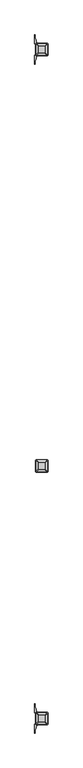
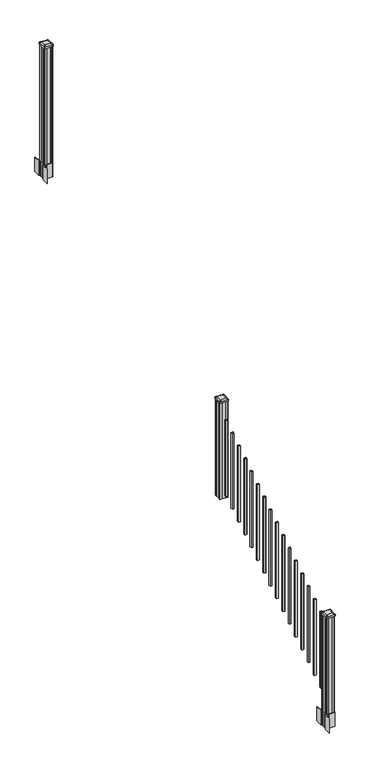
"""IFC4 building model written with IfcOpenShell, lengths in millimetres: railing geometry."""

from ifc_helpers import new_model, si_unit, point, frame, frame_2d, origin, place, context, project, spatial, polyline, circle_curve, trimmed, segment, composite_curve, outline, extrude, source, transform, mapped, element, save
from ifc_brep_helpers import plane_surface, extruded_surface, advanced_brep


def railing_c608df26(model_context):
    return source(origin(), model_context, "Body", "SolidModel", [
        advanced_brep(
        [(6934.2407728, -127566.6027203, 2394.709263), (6985.8345228, -127566.6027203, 2394.709263), (6989.0095228, -127563.4277203, 2394.709263), (6989.0095228, -127511.8339703, 2394.709263), (6985.8345228, -127508.6589703, 2394.709263), (6934.2407728, -127508.6589703, 2394.709263), (6931.0657728, -127511.8339703, 2394.709263), (6931.0657728, -127563.4277203, 2394.709263), (6917.9688978, -127582.8745953, 2383.406263), (6914.7938978, -127579.6995953, 2383.406263), (6914.7938978, -127495.5620953, 2383.406263), (6917.9688978, -127492.3870953, 2383.406263), (7002.1063978, -127492.3870953, 2383.406263), (7005.2813978, -127495.5620953, 2383.406263), (7005.2813978, -127579.6995953, 2383.406263), (7002.1063978, -127582.8745953, 2383.406263)],
        [
            (0, 1),
            (1, 2, circle_curve(frame((6985.8345228, -127563.4277203, 2394.709263), z_axis=(0.0, 0.0, 1.0), x_axis=(0.0, 1.0, 0.0)), 3.175)),
            (2, 3),
            (3, 4, circle_curve(frame((6985.8345228, -127511.8339703, 2394.709263), z_axis=(0.0, 0.0, 1.0), x_axis=(0.0, 1.0, 0.0)), 3.175)),
            (4, 5),
            (5, 6, circle_curve(frame((6934.2407728, -127511.8339703, 2394.709263), z_axis=(0.0, 0.0, 1.0), x_axis=(0.0, 1.0, 0.0)), 3.175)),
            (6, 7),
            (7, 0, circle_curve(frame((6934.2407728, -127563.4277203, 2394.709263), z_axis=(0.0, 0.0, 1.0), x_axis=(0.0, 1.0, 0.0)), 3.175)),
            (8, 9, circle_curve(frame((6917.9688978, -127579.6995953, 2383.406263), z_axis=(0.0, 0.0, -1.0), x_axis=(0.0, 1.0, 0.0)), 3.175)),
            (9, 10),
            (10, 11, circle_curve(frame((6917.9688978, -127495.5620953, 2383.406263), z_axis=(0.0, 0.0, -1.0), x_axis=(0.0, 1.0, 0.0)), 3.175)),
            (11, 12),
            (12, 13, circle_curve(frame((7002.1063978, -127495.5620953, 2383.406263), z_axis=(0.0, 0.0, -1.0), x_axis=(0.0, 1.0, 0.0)), 3.175)),
            (13, 14),
            (14, 15, circle_curve(frame((7002.1063978, -127579.6995953, 2383.406263), z_axis=(0.0, 0.0, -1.0), x_axis=(0.0, 1.0, 0.0)), 3.175)),
            (15, 8),
            (8, 0),
            (7, 9),
            (6, 10),
            (5, 11),
            (4, 12),
            (3, 13),
            (2, 14),
            (1, 15),
        ],
        [
            plane_surface(frame((6960.0376478, -127537.6308453, 2394.709263), z_axis=(0.0, 0.0, 1.0), x_axis=(-1.0, 0.0, 0.0))),
            plane_surface(frame((6960.0376478, -127537.6308453, 2383.406263), z_axis=(0.0, 0.0, -1.0), x_axis=(-1.0, 0.0, 0.0))),
            extruded_surface(trimmed(circle_curve(frame((6934.2407728, -127563.4277203, 2394.709263), z_axis=(0.0, 0.0, -1.0), x_axis=(0.0, 1.0, 0.0)), 3.175), [point((6934.2407728, -127566.6027203, 2394.709263))], [point((6931.0657728, -127563.4277203, 2394.709263))], True, "CARTESIAN"), (-16.271874999999454, -16.27187500000582, -11.303000000000338), 25.63797263886966),
            plane_surface(frame((6914.7938978, -127537.6308453, 2383.406263), z_axis=(-0.5705009161540778, 0.0, 0.8212969649690408), x_axis=(0.0, 1.0, 0.0))),
            extruded_surface(trimmed(circle_curve(frame((6934.2407728, -127511.8339703, 2394.709263), z_axis=(0.0, 0.0, -1.0), x_axis=(0.0, 1.0, 0.0)), 3.175), [point((6931.0657728, -127511.8339703, 2394.709263))], [point((6934.2407728, -127508.6589703, 2394.709263))], True, "CARTESIAN"), (-16.271874999999454, 16.27187499999127, -11.303000000000338), 25.637972638860422),
            plane_surface(frame((6960.0376478, -127492.3870953, 2383.406263), z_axis=(0.0, 0.5705009161540291, 0.8212969649690747), x_axis=(1.0, 0.0, 0.0))),
            extruded_surface(trimmed(circle_curve(frame((6985.8345228, -127511.8339703, 2394.709263), z_axis=(0.0, 0.0, -1.0), x_axis=(0.0, 1.0, 0.0)), 3.175), [point((6985.8345228, -127508.6589703, 2394.709263))], [point((6989.0095228, -127511.8339703, 2394.709263))], True, "CARTESIAN"), (16.271875000000364, 16.27187499999127, -11.303000000000338), 25.637972638861),
            plane_surface(frame((7005.2813978, -127537.6308453, 2383.406263), z_axis=(0.5705009161540142, 0.0, 0.8212969649690851), x_axis=(0.0, -1.0, 0.0))),
            extruded_surface(trimmed(circle_curve(frame((6985.8345228, -127563.4277203, 2394.709263), z_axis=(0.0, 0.0, -1.0), x_axis=(0.0, 1.0, 0.0)), 3.175), [point((6989.0095228, -127563.4277203, 2394.709263))], [point((6985.8345228, -127566.6027203, 2394.709263))], True, "CARTESIAN"), (16.271875000000364, -16.27187500000582, -11.303000000000338), 25.637972638870238),
            plane_surface(frame((6960.0376478, -127582.8745953, 2383.406263), z_axis=(0.0, -0.570500916154034, 0.8212969649690713), x_axis=(-1.0, 0.0, 0.0))),
        ],
        [
            (0, [[1, 2, 3, 4, 5, 6, 7, 8]]),
            (1, [[9, 10, 11, 12, 13, 14, 15, 16]]),
            (2, [[17, -8, 18, -9]]),
            (3, [[-18, -7, 19, -10]]),
            (4, [[-19, -6, 20, -11]]),
            (5, [[-20, -5, 21, -12]]),
            (6, [[-21, -4, 22, -13]]),
            (7, [[-22, -3, 23, -14]]),
            (8, [[-23, -2, 24, -15]]),
            (9, [[-24, -1, -17, -16]]),
        ],
    ),
        extrude(outline(composite_curve([segment(trimmed(circle_curve(frame_2d((6917.9688978, -127579.6995953)), 3.175), [point((6917.9688978, -127582.8745953))], [point((6914.7938978, -127579.6995953))], False, "CARTESIAN"), True, "CONTINUOUS"), segment(polyline([(6914.7938978, -127579.6995953), (6914.7938978, -127495.5620953)]), True, "CONTINUOUS"), segment(trimmed(circle_curve(frame_2d((6917.9688978, -127495.5620953)), 3.175), [point((6914.7938978, -127495.5620953))], [point((6917.9688978, -127492.3870953))], False, "CARTESIAN"), True, "CONTINUOUS"), segment(polyline([(6917.9688978, -127492.3870953), (7002.1063978, -127492.3870953)]), True, "CONTINUOUS"), segment(trimmed(circle_curve(frame_2d((7002.1063978, -127495.5620953)), 3.175), [point((7002.1063978, -127492.3870953))], [point((7005.2813978, -127495.5620953))], False, "CARTESIAN"), True, "CONTINUOUS"), segment(polyline([(7005.2813978, -127495.5620953), (7005.2813978, -127579.6995953)]), True, "CONTINUOUS"), segment(trimmed(circle_curve(frame_2d((7002.1063978, -127579.6995953)), 3.175), [point((7005.2813978, -127579.6995953))], [point((7002.1063978, -127582.8745953))], False, "CARTESIAN"), True, "CONTINUOUS"), segment(polyline([(7002.1063978, -127582.8745953), (6917.9688978, -127582.8745953)]), True, "CONTINUOUS")], self_intersect=False)), frame((0.0, 0.0, 2366.134263), z_axis=(0.0, 0.0, 1.0), x_axis=(1.0, 0.0, 0.0)), (0.0, 0.0, 1.0), 17.272),
        extrude(outline(polyline([(6920.3501478, -127578.9058453), (6918.7626478, -127577.3183453), (6918.7626478, -127557.6968453), (6920.3501478, -127556.9348453), (6920.3501478, -127518.3268453), (6918.7626478, -127517.5648453), (6918.7626478, -127497.9433453), (6920.3501478, -127496.3558453), (6939.9716478, -127496.3558453), (6940.7336478, -127497.9433453), (6979.3416478, -127497.9433453), (6980.1036478, -127496.3558453), (6999.7251478, -127496.3558453), (7001.3126478, -127497.9433453), (7001.3126478, -127517.5648453), (6999.7251478, -127518.3268453), (6999.7251478, -127556.9348453), (7001.3126478, -127557.6968453), (7001.3126478, -127577.3183453), (6999.7251478, -127578.9058453), (6980.1036478, -127578.9058453), (6979.3416478, -127577.3183453), (6940.7336478, -127577.3183453), (6939.9716478, -127578.9058453), (6920.3501478, -127578.9058453)])), frame((0.0, 0.0, 1334.77), z_axis=(0.0, 0.0, 1.0), x_axis=(1.0, 0.0, 0.0)), (0.0, 0.0, 1.0), 1031.364263),
        extrude(outline(polyline([(6969.5626478, -127628.1818453), (6950.5126478, -127628.1818453), (6950.5126478, -127609.1318453), (6969.5626478, -127609.1318453), (6969.5626478, -127628.1818453)]), holes=[polyline([(6969.1657728, -127627.7849703), (6969.1657728, -127609.5287203), (6950.9095228, -127609.5287203), (6950.9095228, -127627.7849703), (6969.1657728, -127627.7849703)])]), frame((0.0, 0.0, 1385.7246281), z_axis=(0.0, 0.0, 1.0), x_axis=(1.0, 0.0, 0.0)), (0.0, 0.0, 1.0), 812.8041219),
        extrude(outline(polyline([(6969.5626478, -127739.4338453), (6950.5126478, -127739.4338453), (6950.5126478, -127720.3838453), (6969.5626478, -127720.3838453), (6969.5626478, -127739.4338453)]), holes=[polyline([(6969.1657728, -127739.0369703), (6969.1657728, -127720.7807203), (6950.9095228, -127720.7807203), (6950.9095228, -127739.0369703), (6969.1657728, -127739.0369703)])]), frame((0.0, 0.0, 1316.1921281), z_axis=(0.0, 0.0, 1.0), x_axis=(1.0, 0.0, 0.0)), (0.0, 0.0, 1.0), 812.8041219),
        extrude(outline(polyline([(6969.5626478, -127850.6858453), (6950.5126478, -127850.6858453), (6950.5126478, -127831.6358453), (6969.5626478, -127831.6358453), (6969.5626478, -127850.6858453)]), holes=[polyline([(6969.1657728, -127850.2889703), (6969.1657728, -127832.0327203), (6950.9095228, -127832.0327203), (6950.9095228, -127850.2889703), (6969.1657728, -127850.2889703)])]), frame((0.0, 0.0, 1246.6596281), z_axis=(0.0, 0.0, 1.0), x_axis=(1.0, 0.0, 0.0)), (0.0, 0.0, 1.0), 812.8041219),
        extrude(outline(polyline([(6969.5626478, -127961.9378453), (6950.5126478, -127961.9378453), (6950.5126478, -127942.8878453), (6969.5626478, -127942.8878453), (6969.5626478, -127961.9378453)]), holes=[polyline([(6969.1657728, -127961.5409703), (6969.1657728, -127943.2847203), (6950.9095228, -127943.2847203), (6950.9095228, -127961.5409703), (6969.1657728, -127961.5409703)])]), frame((0.0, 0.0, 1177.1271281), z_axis=(0.0, 0.0, 1.0), x_axis=(1.0, 0.0, 0.0)), (0.0, 0.0, 1.0), 812.8041219),
        extrude(outline(polyline([(6969.5626478, -128073.1898453), (6950.5126478, -128073.1898453), (6950.5126478, -128054.1398453), (6969.5626478, -128054.1398453), (6969.5626478, -128073.1898453)]), holes=[polyline([(6969.1657728, -128072.7929703), (6969.1657728, -128054.5367203), (6950.9095228, -128054.5367203), (6950.9095228, -128072.7929703), (6969.1657728, -128072.7929703)])]), frame((0.0, 0.0, 1107.5946281), z_axis=(0.0, 0.0, 1.0), x_axis=(1.0, 0.0, 0.0)), (0.0, 0.0, 1.0), 812.8041219),
        extrude(outline(polyline([(6969.5626478, -128184.4418453), (6950.5126478, -128184.4418453), (6950.5126478, -128165.3918453), (6969.5626478, -128165.3918453), (6969.5626478, -128184.4418453)]), holes=[polyline([(6969.1657728, -128184.0449703), (6969.1657728, -128165.7887203), (6950.9095228, -128165.7887203), (6950.9095228, -128184.0449703), (6969.1657728, -128184.0449703)])]), frame((0.0, 0.0, 1038.0621281), z_axis=(0.0, 0.0, 1.0), x_axis=(1.0, 0.0, 0.0)), (0.0, 0.0, 1.0), 812.8041219),
        extrude(outline(polyline([(6969.5626478, -128295.6938453), (6950.5126478, -128295.6938453), (6950.5126478, -128276.6438453), (6969.5626478, -128276.6438453), (6969.5626478, -128295.6938453)]), holes=[polyline([(6969.1657728, -128295.2969703), (6969.1657728, -128277.0407203), (6950.9095228, -128277.0407203), (6950.9095228, -128295.2969703), (6969.1657728, -128295.2969703)])]), frame((0.0, 0.0, 968.5296281), z_axis=(0.0, 0.0, 1.0), x_axis=(1.0, 0.0, 0.0)), (0.0, 0.0, 1.0), 812.8041219),
        extrude(outline(polyline([(6969.5626478, -128406.9458453), (6950.5126478, -128406.9458453), (6950.5126478, -128387.8958453), (6969.5626478, -128387.8958453), (6969.5626478, -128406.9458453)]), holes=[polyline([(6969.1657728, -128406.5489703), (6969.1657728, -128388.2927203), (6950.9095228, -128388.2927203), (6950.9095228, -128406.5489703), (6969.1657728, -128406.5489703)])]), frame((0.0, 0.0, 898.9971281), z_axis=(0.0, 0.0, 1.0), x_axis=(1.0, 0.0, 0.0)), (0.0, 0.0, 1.0), 812.8041219),
        extrude(outline(polyline([(6969.5626478, -128518.1978453), (6950.5126478, -128518.1978453), (6950.5126478, -128499.1478453), (6969.5626478, -128499.1478453), (6969.5626478, -128518.1978453)]), holes=[polyline([(6969.1657728, -128517.8009703), (6969.1657728, -128499.5447203), (6950.9095228, -128499.5447203), (6950.9095228, -128517.8009703), (6969.1657728, -128517.8009703)])]), frame((0.0, 0.0, 829.4646281), z_axis=(0.0, 0.0, 1.0), x_axis=(1.0, 0.0, 0.0)), (0.0, 0.0, 1.0), 812.8041219),
        extrude(outline(polyline([(6969.5626478, -128629.4498453), (6950.5126478, -128629.4498453), (6950.5126478, -128610.3998453), (6969.5626478, -128610.3998453), (6969.5626478, -128629.4498453)]), holes=[polyline([(6969.1657728, -128629.0529703), (6969.1657728, -128610.7967203), (6950.9095228, -128610.7967203), (6950.9095228, -128629.0529703), (6969.1657728, -128629.0529703)])]), frame((0.0, 0.0, 759.9321281), z_axis=(0.0, 0.0, 1.0), x_axis=(1.0, 0.0, 0.0)), (0.0, 0.0, 1.0), 812.8041219),
        extrude(outline(polyline([(6969.5626478, -128740.7018453), (6950.5126478, -128740.7018453), (6950.5126478, -128721.6518453), (6969.5626478, -128721.6518453), (6969.5626478, -128740.7018453)]), holes=[polyline([(6969.1657728, -128740.3049703), (6969.1657728, -128722.0487203), (6950.9095228, -128722.0487203), (6950.9095228, -128740.3049703), (6969.1657728, -128740.3049703)])]), frame((0.0, 0.0, 690.3996281), z_axis=(0.0, 0.0, 1.0), x_axis=(1.0, 0.0, 0.0)), (0.0, 0.0, 1.0), 812.8041219),
        extrude(outline(polyline([(6969.5626478, -128851.9538453), (6950.5126478, -128851.9538453), (6950.5126478, -128832.9038453), (6969.5626478, -128832.9038453), (6969.5626478, -128851.9538453)]), holes=[polyline([(6969.1657728, -128851.5569703), (6969.1657728, -128833.3007203), (6950.9095228, -128833.3007203), (6950.9095228, -128851.5569703), (6969.1657728, -128851.5569703)])]), frame((0.0, 0.0, 620.8671281), z_axis=(0.0, 0.0, 1.0), x_axis=(1.0, 0.0, 0.0)), (0.0, 0.0, 1.0), 812.8041219),
        extrude(outline(polyline([(6969.5626478, -128963.2058453), (6950.5126478, -128963.2058453), (6950.5126478, -128944.1558453), (6969.5626478, -128944.1558453), (6969.5626478, -128963.2058453)]), holes=[polyline([(6969.1657728, -128962.8089703), (6969.1657728, -128944.5527203), (6950.9095228, -128944.5527203), (6950.9095228, -128962.8089703), (6969.1657728, -128962.8089703)])]), frame((0.0, 0.0, 551.3346281), z_axis=(0.0, 0.0, 1.0), x_axis=(1.0, 0.0, 0.0)), (0.0, 0.0, 1.0), 812.8041219),
        extrude(outline(polyline([(6969.5626478, -129074.4578453), (6950.5126478, -129074.4578453), (6950.5126478, -129055.4078453), (6969.5626478, -129055.4078453), (6969.5626478, -129074.4578453)]), holes=[polyline([(6969.1657728, -129074.0609703), (6969.1657728, -129055.8047203), (6950.9095228, -129055.8047203), (6950.9095228, -129074.0609703), (6969.1657728, -129074.0609703)])]), frame((0.0, 0.0, 481.8021281), z_axis=(0.0, 0.0, 1.0), x_axis=(1.0, 0.0, 0.0)), (0.0, 0.0, 1.0), 812.8041219),
        extrude(outline(polyline([(6969.5626478, -129185.7098453), (6950.5126478, -129185.7098453), (6950.5126478, -129166.6598453), (6969.5626478, -129166.6598453), (6969.5626478, -129185.7098453)]), holes=[polyline([(6969.1657728, -129185.3129703), (6969.1657728, -129167.0567203), (6950.9095228, -129167.0567203), (6950.9095228, -129185.3129703), (6969.1657728, -129185.3129703)])]), frame((0.0, 0.0, 412.2696281), z_axis=(0.0, 0.0, 1.0), x_axis=(1.0, 0.0, 0.0)), (0.0, 0.0, 1.0), 812.8041219),
        extrude(outline(polyline([(6969.5626478, -129296.9618453), (6950.5126478, -129296.9618453), (6950.5126478, -129277.9118453), (6969.5626478, -129277.9118453), (6969.5626478, -129296.9618453)]), holes=[polyline([(6969.1657728, -129296.5649703), (6969.1657728, -129278.3087203), (6950.9095228, -129278.3087203), (6950.9095228, -129296.5649703), (6969.1657728, -129296.5649703)])]), frame((0.0, 0.0, 342.7371281), z_axis=(0.0, 0.0, 1.0), x_axis=(1.0, 0.0, 0.0)), (0.0, 0.0, 1.0), 812.8041219),
        extrude(outline(polyline([(6920.3501478, -124491.5358453), (6918.7626478, -124489.9483453), (6918.7626478, -124470.3268453), (6920.3501478, -124469.5648453), (6920.3501478, -124430.9568453), (6918.7626478, -124430.1948453), (6918.7626478, -124410.5733453), (6920.3501478, -124408.9858453), (6939.9716478, -124408.9858453), (6940.7336478, -124410.5733453), (6979.3416478, -124410.5733453), (6980.1036478, -124408.9858453), (6999.7251478, -124408.9858453), (7001.3126478, -124410.5733453), (7001.3126478, -124430.1948453), (6999.7251478, -124430.9568453), (6999.7251478, -124469.5648453), (7001.3126478, -124470.3268453), (7001.3126478, -124489.9483453), (6999.7251478, -124491.5358453), (6980.1036478, -124491.5358453), (6979.3416478, -124489.9483453), (6940.7336478, -124489.9483453), (6939.9716478, -124491.5358453), (6920.3501478, -124491.5358453)])), frame((0.0, 0.0, 3048.0), z_axis=(0.0, 0.0, 1.0), x_axis=(1.0, 0.0, 0.0)), (0.0, 0.0, 1.0), 1247.740513),
        extrude(outline(composite_curve([segment(polyline([(7002.7731478, -124467.6469401), (7004.3606478, -124468.4089401), (7004.3606478, -124491.2108682), (7000.9876707, -124494.5838453), (6939.5279999, -124494.5838453), (6939.5279999, -124495.5045953), (6934.2104561, -124495.5045953), (6934.2104561, -124496.95885), (6929.1259264, -124496.95885), (6929.1259264, -124498.2428738), (6927.4586541, -124498.2428738)]), True, "CONTINUOUS"), segment(trimmed(circle_curve(frame_2d((6927.4586541, -124505.3023337)), 7.0594599), [point((6927.4586541, -124498.2428738))], [point((6920.6913912, -124503.292327))], True, "CARTESIAN"), True, "CONTINUOUS"), segment(polyline([(6920.6913912, -124503.292327), (6912.8171969, -124529.8030561)]), True, "CONTINUOUS"), segment(trimmed(circle_curve(frame_2d((6967.6017103, -124546.0751057)), 57.15), [point((6912.8171969, -124529.8030561))], [point((6910.4517103, -124546.0751057))], True, "CARTESIAN"), True, "CONTINUOUS"), segment(polyline([(6910.4517103, -124546.0751057), (6910.4517103, -124558.0838453), (6907.4517103, -124558.0838453), (6907.4517103, -124492.9963453), (6915.7146478, -124481.658054), (6915.7146478, -124468.4089401), (6917.3021478, -124467.6469401), (6917.3021478, -124432.8747504), (6915.7146478, -124432.1127504), (6915.7146478, -124418.8636366), (6907.4517103, -124407.5253453), (6907.4517103, -124342.4378453), (6910.4517103, -124342.4378453), (6910.4517103, -124354.4465848)]), True, "CONTINUOUS"), segment(trimmed(circle_curve(frame_2d((6967.6017103, -124354.4465848)), 57.15), [point((6910.4517103, -124354.4465848))], [point((6912.8171969, -124370.7186345))], True, "CARTESIAN"), True, "CONTINUOUS"), segment(polyline([(6912.8171969, -124370.7186345), (6920.6913912, -124397.2293636)]), True, "CONTINUOUS"), segment(trimmed(circle_curve(frame_2d((6927.4586541, -124395.2193569)), 7.0594599), [point((6920.6913912, -124397.2293636))], [point((6927.4586541, -124402.2788168))], True, "CARTESIAN"), True, "CONTINUOUS"), segment(polyline([(6927.4586541, -124402.2788168), (6929.1259264, -124402.2788168), (6929.1259264, -124403.5628406), (6934.2104561, -124403.5628406), (6934.2104561, -124405.0170953), (6939.5279999, -124405.0170953), (6939.5279999, -124405.9378453), (7000.9876707, -124405.9378453), (7004.3606478, -124409.3108224), (7004.3606478, -124432.1127504), (7002.7731478, -124432.8747504), (7002.7731478, -124467.6469401)]), True, "CONTINUOUS")], self_intersect=False), holes=[polyline([(6918.7626478, -124410.5733453), (6918.7626478, -124489.9483453), (6920.3501478, -124491.5358453), (6957.2744304, -124491.5358453), (6999.7251478, -124491.5358453), (7001.3126478, -124489.9483453), (7001.3126478, -124410.5733453), (6999.7251478, -124408.9858453), (6957.2744304, -124408.9858453), (6920.3501478, -124408.9858453), (6918.7626478, -124410.5733453)])]), frame((0.0, 0.0, 2895.6), z_axis=(0.0, 0.0, 1.0), x_axis=(1.0, 0.0, 0.0)), (0.0, 0.0, 1.0), 152.4),
        advanced_brep(
        [(6934.2407728, -124479.2327203, 4324.315513), (6985.8345228, -124479.2327203, 4324.315513), (6989.0095228, -124476.0577203, 4324.315513), (6989.0095228, -124424.4639703, 4324.315513), (6985.8345228, -124421.2889703, 4324.315513), (6934.2407728, -124421.2889703, 4324.315513), (6931.0657728, -124424.4639703, 4324.315513), (6931.0657728, -124476.0577203, 4324.315513), (6917.9688978, -124495.5045953, 4313.012513), (6914.7938978, -124492.3295953, 4313.012513), (6914.7938978, -124408.1920953, 4313.012513), (6917.9688978, -124405.0170953, 4313.012513), (7002.1063978, -124405.0170953, 4313.012513), (7005.2813978, -124408.1920953, 4313.012513), (7005.2813978, -124492.3295953, 4313.012513), (7002.1063978, -124495.5045953, 4313.012513)],
        [
            (0, 1),
            (1, 2, circle_curve(frame((6985.8345228, -124476.0577203, 4324.315513), z_axis=(0.0, 0.0, 1.0), x_axis=(0.0, 1.0, 0.0)), 3.175)),
            (2, 3),
            (3, 4, circle_curve(frame((6985.8345228, -124424.4639703, 4324.315513), z_axis=(0.0, 0.0, 1.0), x_axis=(0.0, 1.0, 0.0)), 3.175)),
            (4, 5),
            (5, 6, circle_curve(frame((6934.2407728, -124424.4639703, 4324.315513), z_axis=(0.0, 0.0, 1.0), x_axis=(0.0, 1.0, 0.0)), 3.175)),
            (6, 7),
            (7, 0, circle_curve(frame((6934.2407728, -124476.0577203, 4324.315513), z_axis=(0.0, 0.0, 1.0), x_axis=(0.0, 1.0, 0.0)), 3.175)),
            (8, 9, circle_curve(frame((6917.9688978, -124492.3295953, 4313.012513), z_axis=(0.0, 0.0, -1.0), x_axis=(0.0, 1.0, 0.0)), 3.175)),
            (9, 10),
            (10, 11, circle_curve(frame((6917.9688978, -124408.1920953, 4313.012513), z_axis=(0.0, 0.0, -1.0), x_axis=(0.0, 1.0, 0.0)), 3.175)),
            (11, 12),
            (12, 13, circle_curve(frame((7002.1063978, -124408.1920953, 4313.012513), z_axis=(0.0, 0.0, -1.0), x_axis=(0.0, 1.0, 0.0)), 3.175)),
            (13, 14),
            (14, 15, circle_curve(frame((7002.1063978, -124492.3295953, 4313.012513), z_axis=(0.0, 0.0, -1.0), x_axis=(0.0, 1.0, 0.0)), 3.175)),
            (15, 8),
            (8, 0),
            (7, 9),
            (6, 10),
            (5, 11),
            (4, 12),
            (3, 13),
            (2, 14),
            (1, 15),
        ],
        [
            plane_surface(frame((6960.0376478, -124450.2608453, 4324.315513), z_axis=(0.0, 0.0, 1.0), x_axis=(-1.0, 0.0, 0.0))),
            plane_surface(frame((6960.0376478, -124450.2608453, 4313.012513), z_axis=(0.0, 0.0, -1.0), x_axis=(-1.0, 0.0, 0.0))),
            extruded_surface(trimmed(circle_curve(frame((6934.2407728, -124476.0577203, 4324.315513), z_axis=(0.0, 0.0, -1.0), x_axis=(0.0, 1.0, 0.0)), 3.175), [point((6934.2407728, -124479.2327203, 4324.315513))], [point((6931.0657728, -124476.0577203, 4324.315513))], True, "CARTESIAN"), (-16.271874999999454, -16.27187500000582, -11.302999999999884), 25.63797263886946),
            plane_surface(frame((6914.7938978, -124450.2608453, 4313.012513), z_axis=(-0.5705009161540687, 0.0, 0.8212969649690472), x_axis=(0.0, 1.0, 0.0))),
            extruded_surface(trimmed(circle_curve(frame((6934.2407728, -124424.4639703, 4324.315513), z_axis=(0.0, 0.0, -1.0), x_axis=(0.0, 1.0, 0.0)), 3.175), [point((6931.0657728, -124424.4639703, 4324.315513))], [point((6934.2407728, -124421.2889703, 4324.315513))], True, "CARTESIAN"), (-16.271874999999454, 16.27187500000582, -11.302999999999884), 25.63797263886946),
            plane_surface(frame((6960.0376478, -124405.0170953, 4313.012513), z_axis=(0.0, 0.5705009161540291, 0.8212969649690747), x_axis=(1.0, 0.0, 0.0))),
            extruded_surface(trimmed(circle_curve(frame((6985.8345228, -124424.4639703, 4324.315513), z_axis=(0.0, 0.0, -1.0), x_axis=(0.0, 1.0, 0.0)), 3.175), [point((6985.8345228, -124421.2889703, 4324.315513))], [point((6989.0095228, -124424.4639703, 4324.315513))], True, "CARTESIAN"), (16.271875000000364, 16.27187500000582, -11.302999999999884), 25.637972638870036),
            plane_surface(frame((7005.2813978, -124450.2608453, 4313.012513), z_axis=(0.5705009161540233, 0.0, 0.8212969649690787), x_axis=(0.0, -1.0, 0.0))),
            extruded_surface(trimmed(circle_curve(frame((6985.8345228, -124476.0577203, 4324.315513), z_axis=(0.0, 0.0, -1.0), x_axis=(0.0, 1.0, 0.0)), 3.175), [point((6989.0095228, -124476.0577203, 4324.315513))], [point((6985.8345228, -124479.2327203, 4324.315513))], True, "CARTESIAN"), (16.271875000000364, -16.27187500000582, -11.302999999999884), 25.637972638870036),
            plane_surface(frame((6960.0376478, -124495.5045953, 4313.012513), z_axis=(0.0, -0.570500916154034, 0.8212969649690713), x_axis=(-1.0, 0.0, 0.0))),
        ],
        [
            (0, [[1, 2, 3, 4, 5, 6, 7, 8]]),
            (1, [[9, 10, 11, 12, 13, 14, 15, 16]]),
            (2, [[17, -8, 18, -9]]),
            (3, [[-18, -7, 19, -10]]),
            (4, [[-19, -6, 20, -11]]),
            (5, [[-20, -5, 21, -12]]),
            (6, [[-21, -4, 22, -13]]),
            (7, [[-22, -3, 23, -14]]),
            (8, [[-23, -2, 24, -15]]),
            (9, [[-24, -1, -17, -16]]),
        ],
    ),
        extrude(outline(composite_curve([segment(trimmed(circle_curve(frame_2d((6917.9688978, -124492.3295953)), 3.175), [point((6917.9688978, -124495.5045953))], [point((6914.7938978, -124492.3295953))], False, "CARTESIAN"), True, "CONTINUOUS"), segment(polyline([(6914.7938978, -124492.3295953), (6914.7938978, -124408.1920953)]), True, "CONTINUOUS"), segment(trimmed(circle_curve(frame_2d((6917.9688978, -124408.1920953)), 3.175), [point((6914.7938978, -124408.1920953))], [point((6917.9688978, -124405.0170953))], False, "CARTESIAN"), True, "CONTINUOUS"), segment(polyline([(6917.9688978, -124405.0170953), (7002.1063978, -124405.0170953)]), True, "CONTINUOUS"), segment(trimmed(circle_curve(frame_2d((7002.1063978, -124408.1920953)), 3.175), [point((7002.1063978, -124405.0170953))], [point((7005.2813978, -124408.1920953))], False, "CARTESIAN"), True, "CONTINUOUS"), segment(polyline([(7005.2813978, -124408.1920953), (7005.2813978, -124492.3295953)]), True, "CONTINUOUS"), segment(trimmed(circle_curve(frame_2d((7002.1063978, -124492.3295953)), 3.175), [point((7005.2813978, -124492.3295953))], [point((7002.1063978, -124495.5045953))], False, "CARTESIAN"), True, "CONTINUOUS"), segment(polyline([(7002.1063978, -124495.5045953), (6917.9688978, -124495.5045953)]), True, "CONTINUOUS")], self_intersect=False)), frame((0.0, 0.0, 4295.740513), z_axis=(0.0, 0.0, 1.0), x_axis=(1.0, 0.0, 0.0)), (0.0, 0.0, 1.0), 17.272),
        extrude(outline(composite_curve([segment(polyline([(7002.7731478, -129427.2509401), (7004.3606478, -129428.0129401), (7004.3606478, -129450.8148682), (7000.9876707, -129454.1878453), (6939.5279999, -129454.1878453), (6939.5279999, -129455.1085953), (6934.2104561, -129455.1085953), (6934.2104561, -129456.56285), (6929.1259264, -129456.56285), (6929.1259264, -129457.8468738), (6927.4586541, -129457.8468738)]), True, "CONTINUOUS"), segment(trimmed(circle_curve(frame_2d((6927.4586541, -129464.9063337)), 7.0594599), [point((6927.4586541, -129457.8468738))], [point((6920.6913912, -129462.896327))], True, "CARTESIAN"), True, "CONTINUOUS"), segment(polyline([(6920.6913912, -129462.896327), (6912.8171969, -129489.4070561)]), True, "CONTINUOUS"), segment(trimmed(circle_curve(frame_2d((6967.6017103, -129505.6791057)), 57.15), [point((6912.8171969, -129489.4070561))], [point((6910.4517103, -129505.6791057))], True, "CARTESIAN"), True, "CONTINUOUS"), segment(polyline([(6910.4517103, -129505.6791057), (6910.4517103, -129517.6878453), (6907.4517103, -129517.6878453), (6907.4517103, -129452.6003453), (6915.7146478, -129441.262054), (6915.7146478, -129428.0129401), (6917.3021478, -129427.2509401), (6917.3021478, -129392.4787504), (6915.7146478, -129391.7167504), (6915.7146478, -129378.4676366), (6907.4517103, -129367.1293453), (6907.4517103, -129302.0418453), (6910.4517103, -129302.0418453), (6910.4517103, -129314.0505848)]), True, "CONTINUOUS"), segment(trimmed(circle_curve(frame_2d((6967.6017103, -129314.0505848)), 57.15), [point((6910.4517103, -129314.0505848))], [point((6912.8171969, -129330.3226345))], True, "CARTESIAN"), True, "CONTINUOUS"), segment(polyline([(6912.8171969, -129330.3226345), (6920.6913912, -129356.8333636)]), True, "CONTINUOUS"), segment(trimmed(circle_curve(frame_2d((6927.4586541, -129354.8233569)), 7.0594599), [point((6920.6913912, -129356.8333636))], [point((6927.4586541, -129361.8828168))], True, "CARTESIAN"), True, "CONTINUOUS"), segment(polyline([(6927.4586541, -129361.8828168), (6929.1259264, -129361.8828168), (6929.1259264, -129363.1668406), (6934.2104561, -129363.1668406), (6934.2104561, -129364.6210953), (6939.5279999, -129364.6210953), (6939.5279999, -129365.5418453), (7000.9876707, -129365.5418453), (7004.3606478, -129368.9148224), (7004.3606478, -129391.7167504), (7002.7731478, -129392.4787504), (7002.7731478, -129427.2509401)]), True, "CONTINUOUS")], self_intersect=False), holes=[polyline([(6918.7626478, -129370.1773453), (6918.7626478, -129449.5523453), (6920.3501478, -129451.1398453), (6957.2744304, -129451.1398453), (6999.7251478, -129451.1398453), (7001.3126478, -129449.5523453), (7001.3126478, -129370.1773453), (6999.7251478, -129368.5898453), (6957.2744304, -129368.5898453), (6920.3501478, -129368.5898453), (6918.7626478, -129370.1773453)])]), frame((0.0, 0.0, 12.22375), z_axis=(0.0, 0.0, 1.0), x_axis=(1.0, 0.0, 0.0)), (0.0, 0.0, 1.0), 152.4),
        advanced_brep(
        [(6934.2407728, -129438.8367203, 1224.563013), (6985.8345228, -129438.8367203, 1224.563013), (6989.0095228, -129435.6617203, 1224.563013), (6989.0095228, -129384.0679703, 1224.563013), (6985.8345228, -129380.8929703, 1224.563013), (6934.2407728, -129380.8929703, 1224.563013), (6931.0657728, -129384.0679703, 1224.563013), (6931.0657728, -129435.6617203, 1224.563013), (6917.9688978, -129455.1085953, 1213.260013), (6914.7938978, -129451.9335953, 1213.260013), (6914.7938978, -129367.7960953, 1213.260013), (6917.9688978, -129364.6210953, 1213.260013), (7002.1063978, -129364.6210953, 1213.260013), (7005.2813978, -129367.7960953, 1213.260013), (7005.2813978, -129451.9335953, 1213.260013), (7002.1063978, -129455.1085953, 1213.260013)],
        [
            (0, 1),
            (1, 2, circle_curve(frame((6985.8345228, -129435.6617203, 1224.563013), z_axis=(0.0, 0.0, 1.0), x_axis=(0.0, 1.0, 0.0)), 3.175)),
            (2, 3),
            (3, 4, circle_curve(frame((6985.8345228, -129384.0679703, 1224.563013), z_axis=(0.0, 0.0, 1.0), x_axis=(0.0, 1.0, 0.0)), 3.175)),
            (4, 5),
            (5, 6, circle_curve(frame((6934.2407728, -129384.0679703, 1224.563013), z_axis=(0.0, 0.0, 1.0), x_axis=(0.0, 1.0, 0.0)), 3.175)),
            (6, 7),
            (7, 0, circle_curve(frame((6934.2407728, -129435.6617203, 1224.563013), z_axis=(0.0, 0.0, 1.0), x_axis=(0.0, 1.0, 0.0)), 3.175)),
            (8, 9, circle_curve(frame((6917.9688978, -129451.9335953, 1213.260013), z_axis=(0.0, 0.0, -1.0), x_axis=(0.0, 1.0, 0.0)), 3.175)),
            (9, 10),
            (10, 11, circle_curve(frame((6917.9688978, -129367.7960953, 1213.260013), z_axis=(0.0, 0.0, -1.0), x_axis=(0.0, 1.0, 0.0)), 3.175)),
            (11, 12),
            (12, 13, circle_curve(frame((7002.1063978, -129367.7960953, 1213.260013), z_axis=(0.0, 0.0, -1.0), x_axis=(0.0, 1.0, 0.0)), 3.175)),
            (13, 14),
            (14, 15, circle_curve(frame((7002.1063978, -129451.9335953, 1213.260013), z_axis=(0.0, 0.0, -1.0), x_axis=(0.0, 1.0, 0.0)), 3.175)),
            (15, 8),
            (8, 0),
            (7, 9),
            (6, 10),
            (5, 11),
            (4, 12),
            (3, 13),
            (2, 14),
            (1, 15),
        ],
        [
            plane_surface(frame((6960.0376478, -129409.8648453, 1224.563013), z_axis=(0.0, 0.0, 1.0), x_axis=(-1.0, 0.0, 0.0))),
            plane_surface(frame((6960.0376478, -129409.8648453, 1213.260013), z_axis=(0.0, 0.0, -1.0), x_axis=(-1.0, 0.0, 0.0))),
            extruded_surface(trimmed(circle_curve(frame((6934.2407728, -129435.6617203, 1224.563013), z_axis=(0.0, 0.0, -1.0), x_axis=(0.0, 1.0, 0.0)), 3.175), [point((6934.2407728, -129438.8367203, 1224.563013))], [point((6931.0657728, -129435.6617203, 1224.563013))], True, "CARTESIAN"), (-16.271874999999454, -16.27187499999127, -11.302999999999884), 25.637972638860223),
            plane_surface(frame((6914.7938978, -129409.8648453, 1213.260013), z_axis=(-0.5705009161540778, 0.0, 0.8212969649690408), x_axis=(0.0, 1.0, 0.0))),
            extruded_surface(trimmed(circle_curve(frame((6934.2407728, -129384.0679703, 1224.563013), z_axis=(0.0, 0.0, -1.0), x_axis=(0.0, 1.0, 0.0)), 3.175), [point((6931.0657728, -129384.0679703, 1224.563013))], [point((6934.2407728, -129380.8929703, 1224.563013))], True, "CARTESIAN"), (-16.271874999999454, 16.27187500000582, -11.302999999999884), 25.63797263886946),
            plane_surface(frame((6960.0376478, -129364.6210953, 1213.260013), z_axis=(0.0, 0.5705009161540291, 0.8212969649690747), x_axis=(1.0, 0.0, 0.0))),
            extruded_surface(trimmed(circle_curve(frame((6985.8345228, -129384.0679703, 1224.563013), z_axis=(0.0, 0.0, -1.0), x_axis=(0.0, 1.0, 0.0)), 3.175), [point((6985.8345228, -129380.8929703, 1224.563013))], [point((6989.0095228, -129384.0679703, 1224.563013))], True, "CARTESIAN"), (16.271875000000364, 16.27187500000582, -11.302999999999884), 25.637972638870036),
            plane_surface(frame((7005.2813978, -129409.8648453, 1213.260013), z_axis=(0.5705009161540142, 0.0, 0.8212969649690851), x_axis=(0.0, -1.0, 0.0))),
            extruded_surface(trimmed(circle_curve(frame((6985.8345228, -129435.6617203, 1224.563013), z_axis=(0.0, 0.0, -1.0), x_axis=(0.0, 1.0, 0.0)), 3.175), [point((6989.0095228, -129435.6617203, 1224.563013))], [point((6985.8345228, -129438.8367203, 1224.563013))], True, "CARTESIAN"), (16.271875000000364, -16.27187499999127, -11.302999999999884), 25.637972638860802),
            plane_surface(frame((6960.0376478, -129455.1085953, 1213.260013), z_axis=(0.0, -0.570500916154034, 0.8212969649690713), x_axis=(-1.0, 0.0, 0.0))),
        ],
        [
            (0, [[1, 2, 3, 4, 5, 6, 7, 8]]),
            (1, [[9, 10, 11, 12, 13, 14, 15, 16]]),
            (2, [[17, -8, 18, -9]]),
            (3, [[-18, -7, 19, -10]]),
            (4, [[-19, -6, 20, -11]]),
            (5, [[-20, -5, 21, -12]]),
            (6, [[-21, -4, 22, -13]]),
            (7, [[-22, -3, 23, -14]]),
            (8, [[-23, -2, 24, -15]]),
            (9, [[-24, -1, -17, -16]]),
        ],
    ),
        extrude(outline(composite_curve([segment(trimmed(circle_curve(frame_2d((6917.9688978, -129451.9335953)), 3.175), [point((6917.9688978, -129455.1085953))], [point((6914.7938978, -129451.9335953))], False, "CARTESIAN"), True, "CONTINUOUS"), segment(polyline([(6914.7938978, -129451.9335953), (6914.7938978, -129367.7960953)]), True, "CONTINUOUS"), segment(trimmed(circle_curve(frame_2d((6917.9688978, -129367.7960953)), 3.175), [point((6914.7938978, -129367.7960953))], [point((6917.9688978, -129364.6210953))], False, "CARTESIAN"), True, "CONTINUOUS"), segment(polyline([(6917.9688978, -129364.6210953), (7002.1063978, -129364.6210953)]), True, "CONTINUOUS"), segment(trimmed(circle_curve(frame_2d((7002.1063978, -129367.7960953)), 3.175), [point((7002.1063978, -129364.6210953))], [point((7005.2813978, -129367.7960953))], False, "CARTESIAN"), True, "CONTINUOUS"), segment(polyline([(7005.2813978, -129367.7960953), (7005.2813978, -129451.9335953)]), True, "CONTINUOUS"), segment(trimmed(circle_curve(frame_2d((7002.1063978, -129451.9335953)), 3.175), [point((7005.2813978, -129451.9335953))], [point((7002.1063978, -129455.1085953))], False, "CARTESIAN"), True, "CONTINUOUS"), segment(polyline([(7002.1063978, -129455.1085953), (6917.9688978, -129455.1085953)]), True, "CONTINUOUS")], self_intersect=False)), frame((0.0, 0.0, 1195.988013), z_axis=(0.0, 0.0, 1.0), x_axis=(1.0, 0.0, 0.0)), (0.0, 0.0, 1.0), 17.272),
        extrude(outline(polyline([(6920.3501478, -129451.1398453), (6918.7626478, -129449.5523453), (6918.7626478, -129429.9308453), (6920.3501478, -129429.1688453), (6920.3501478, -129390.5608453), (6918.7626478, -129389.7988453), (6918.7626478, -129370.1773453), (6920.3501478, -129368.5898453), (6939.9716478, -129368.5898453), (6940.7336478, -129370.1773453), (6979.3416478, -129370.1773453), (6980.1036478, -129368.5898453), (6999.7251478, -129368.5898453), (7001.3126478, -129370.1773453), (7001.3126478, -129389.7988453), (6999.7251478, -129390.5608453), (6999.7251478, -129429.1688453), (7001.3126478, -129429.9308453), (7001.3126478, -129449.5523453), (6999.7251478, -129451.1398453), (6980.1036478, -129451.1398453), (6979.3416478, -129449.5523453), (6940.7336478, -129449.5523453), (6939.9716478, -129451.1398453), (6920.3501478, -129451.1398453)])), frame((0.0, 0.0, 164.62375), z_axis=(0.0, 0.0, 1.0), x_axis=(1.0, 0.0, 0.0)), (0.0, 0.0, 1.0), 1031.364263),
    ])


if __name__ == "__main__":
    model = new_model("IFC4")
    model_context = context("Model", 3, world=origin())
    ifc_project = project(units=[si_unit("LENGTHUNIT", "METRE", prefix="MILLI")], contexts=[model_context])
    site = spatial("IfcSite", under=ifc_project)
    building = spatial("IfcBuilding", under=site)
    placement = place(None, origin())
    railing_shape = railing_c608df26(model_context)
    element("IfcRailing", 1, at=placement, inside=building, context=model_context, shape_type="MappedRepresentation", body=[
        mapped(railing_shape, transform((0.0, 0.0, 0.0), x_axis=(1.0, 0.0, 0.0), y_axis=(0.0, 1.0, 0.0), z_axis=(0.0, 0.0, 1.0))),
    ])
    save(model, "model.ifc")
